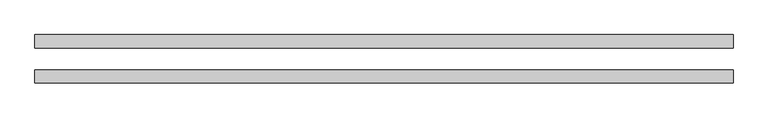
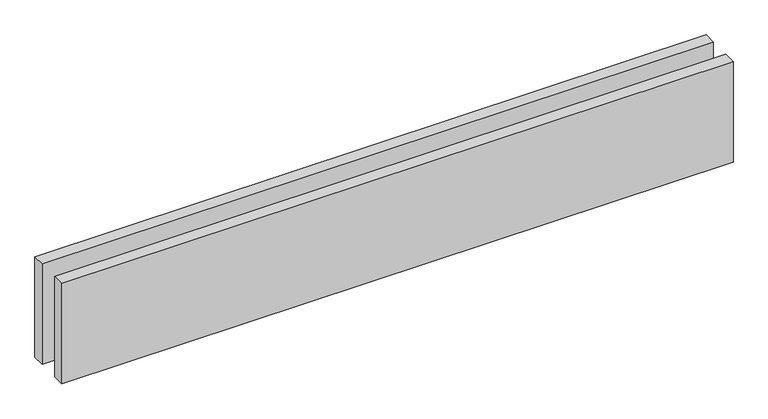
"""IFC4 building model written with IfcOpenShell, lengths in millimetres: proxy geometry."""

from ifc_helpers import new_model, si_unit, origin, origin_with_axes, place, context, project, spatial, polyline, outline, extrude, source, transform, mapped, element, save


def generic_models_b2110b68(model_context):
    return source(origin(), model_context, "Body", "SweptSolid", [
        extrude(outline(polyline([(1581.279818, -25.0), (1581.279818, -55.0), (0.0, -55.0), (0.0, -25.0), (1581.279818, -25.0)])), origin_with_axes(), (0.0, 0.0, 1.0), 250.0),
        extrude(outline(polyline([(1581.279818, 55.0), (1581.279818, 25.0), (0.0, 25.0), (0.0, 55.0), (1581.279818, 55.0)])), origin_with_axes(), (0.0, 0.0, 1.0), 250.0),
    ])


if __name__ == "__main__":
    model = new_model("IFC4")
    model_context = context("Model", 3, world=origin())
    ifc_project = project(units=[si_unit("LENGTHUNIT", "METRE", prefix="MILLI")], contexts=[model_context])
    site = spatial("IfcSite", under=ifc_project)
    building = spatial("IfcBuilding", under=site)
    placement = place(None, origin())
    generic_models_shape = generic_models_b2110b68(model_context)
    element("IfcBuildingElementProxy", 1, Name="Generic Models", at=placement, inside=building, context=model_context, shape_type="MappedRepresentation", body=[
        mapped(generic_models_shape, transform((0.0, 0.0, 0.0), x_axis=(1.0, 0.0, 0.0), y_axis=(0.0, 1.0, 0.0), z_axis=(0.0, 0.0, 1.0))),
    ])
    save(model, "model.ifc")
